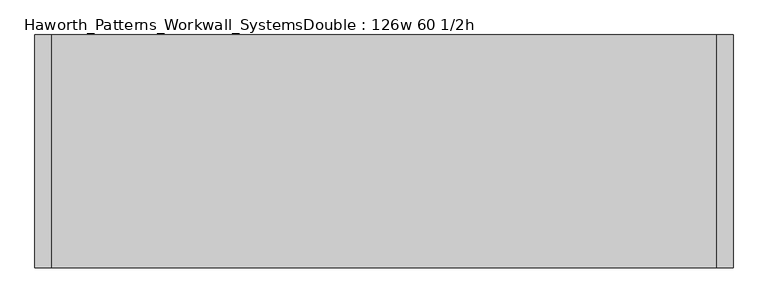
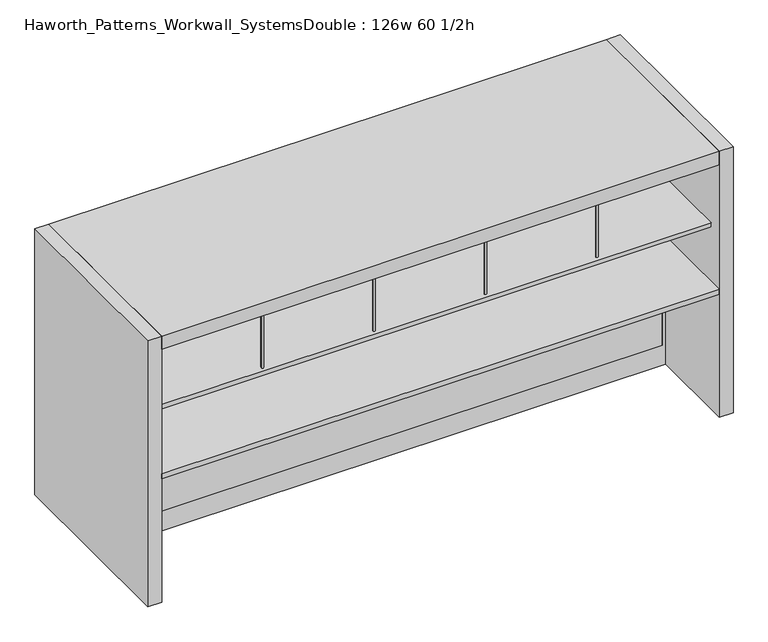
"""IFC4 building model written with IfcOpenShell, lengths in millimetres: furniture geometry, Haworth_Patterns_Workwall_SystemsDouble : 126w 60 1/2h."""

from ifc_helpers import new_model, si_unit, point, frame, frame_2d, origin, origin_with_axes, place, context, project, spatial, polyline, circle_curve, trimmed, segment, composite_curve, outline, extrude, source, transform, mapped, element, save


def haworth_patterns_workwall_systemsdouble_126w_60_1_2h_18ae9a9d(model_context):
    return source(origin(), model_context, "Body", "SweptSolid", [
        extrude(outline(composite_curve([segment(trimmed(circle_curve(frame_2d((-914.4, 787.4)), 6.35), [point((-908.05, 787.4))], [point((-920.75, 787.4))], False, "CARTESIAN"), True, "CONTINUOUS"), segment(trimmed(circle_curve(frame_2d((-914.4, 787.4)), 6.35), [point((-920.75, 787.4))], [point((-908.05, 787.4))], False, "CARTESIAN"), True, "CONTINUOUS")], self_intersect=False)), frame((0.0, 0.0, 1079.5), z_axis=(0.0, 0.0, 1.0), x_axis=(1.0, 0.0, 0.0)), (0.0, 0.0, 1.0), 381.0),
        extrude(outline(composite_curve([segment(trimmed(circle_curve(frame_2d((-914.4, 406.4)), 6.35), [point((-908.05, 406.4))], [point((-920.75, 406.4))], False, "CARTESIAN"), True, "CONTINUOUS"), segment(trimmed(circle_curve(frame_2d((-914.4, 406.4)), 6.35), [point((-920.75, 406.4))], [point((-908.05, 406.4))], False, "CARTESIAN"), True, "CONTINUOUS")], self_intersect=False)), frame((0.0, 0.0, 1079.5), z_axis=(0.0, 0.0, 1.0), x_axis=(1.0, 0.0, 0.0)), (0.0, 0.0, 1.0), 381.0),
        extrude(outline(composite_curve([segment(trimmed(circle_curve(frame_2d((-304.8, 787.4)), 6.35), [point((-298.45, 787.4))], [point((-311.15, 787.4))], False, "CARTESIAN"), True, "CONTINUOUS"), segment(trimmed(circle_curve(frame_2d((-304.8, 787.4)), 6.35), [point((-311.15, 787.4))], [point((-298.45, 787.4))], False, "CARTESIAN"), True, "CONTINUOUS")], self_intersect=False)), frame((0.0, 0.0, 1079.5), z_axis=(0.0, 0.0, 1.0), x_axis=(1.0, 0.0, 0.0)), (0.0, 0.0, 1.0), 381.0),
        extrude(outline(composite_curve([segment(trimmed(circle_curve(frame_2d((-304.8, 406.4)), 6.35), [point((-298.45, 406.4))], [point((-311.15, 406.4))], False, "CARTESIAN"), True, "CONTINUOUS"), segment(trimmed(circle_curve(frame_2d((-304.8, 406.4)), 6.35), [point((-311.15, 406.4))], [point((-298.45, 406.4))], False, "CARTESIAN"), True, "CONTINUOUS")], self_intersect=False)), frame((0.0, 0.0, 1079.5), z_axis=(0.0, 0.0, 1.0), x_axis=(1.0, 0.0, 0.0)), (0.0, 0.0, 1.0), 381.0),
        extrude(outline(composite_curve([segment(trimmed(circle_curve(frame_2d((-1524.0, 787.4)), 6.35), [point((-1517.65, 787.4))], [point((-1530.35, 787.4))], False, "CARTESIAN"), True, "CONTINUOUS"), segment(trimmed(circle_curve(frame_2d((-1524.0, 787.4)), 6.35), [point((-1530.35, 787.4))], [point((-1517.65, 787.4))], False, "CARTESIAN"), True, "CONTINUOUS")], self_intersect=False)), frame((0.0, 0.0, 1079.5), z_axis=(0.0, 0.0, 1.0), x_axis=(1.0, 0.0, 0.0)), (0.0, 0.0, 1.0), 381.0),
        extrude(outline(composite_curve([segment(trimmed(circle_curve(frame_2d((-1524.0, 406.4)), 6.35), [point((-1517.65, 406.4))], [point((-1530.35, 406.4))], False, "CARTESIAN"), True, "CONTINUOUS"), segment(trimmed(circle_curve(frame_2d((-1524.0, 406.4)), 6.35), [point((-1530.35, 406.4))], [point((-1517.65, 406.4))], False, "CARTESIAN"), True, "CONTINUOUS")], self_intersect=False)), frame((0.0, 0.0, 1079.5), z_axis=(0.0, 0.0, 1.0), x_axis=(1.0, 0.0, 0.0)), (0.0, 0.0, 1.0), 381.0),
        extrude(outline(composite_curve([segment(trimmed(circle_curve(frame_2d((304.8, 787.4)), 6.35), [point((311.15, 787.4))], [point((298.45, 787.4))], False, "CARTESIAN"), True, "CONTINUOUS"), segment(trimmed(circle_curve(frame_2d((304.8, 787.4)), 6.35), [point((298.45, 787.4))], [point((311.15, 787.4))], False, "CARTESIAN"), True, "CONTINUOUS")], self_intersect=False)), frame((0.0, 0.0, 1079.5), z_axis=(0.0, 0.0, 1.0), x_axis=(1.0, 0.0, 0.0)), (0.0, 0.0, 1.0), 381.0),
        extrude(outline(composite_curve([segment(trimmed(circle_curve(frame_2d((304.8, 406.4)), 6.35), [point((311.15, 406.4))], [point((298.45, 406.4))], False, "CARTESIAN"), True, "CONTINUOUS"), segment(trimmed(circle_curve(frame_2d((304.8, 406.4)), 6.35), [point((298.45, 406.4))], [point((311.15, 406.4))], False, "CARTESIAN"), True, "CONTINUOUS")], self_intersect=False)), frame((0.0, 0.0, 1079.5), z_axis=(0.0, 0.0, 1.0), x_axis=(1.0, 0.0, 0.0)), (0.0, 0.0, 1.0), 381.0),
        extrude(outline(polyline([(-2133.6, 381.0), (-2133.6, 812.8), (914.4, 812.8), (914.4, 381.0), (-2133.6, 381.0)])), frame((0.0, 0.0, 1054.1), z_axis=(0.0, 0.0, 1.0), x_axis=(1.0, 0.0, 0.0)), (0.0, 0.0, 1.0), 25.4),
        extrude(outline(polyline([(914.4, 415.925), (-2133.6, 415.925), (-2133.6, 889.0), (914.4, 889.0), (914.4, 415.925)])), frame((0.0, 0.0, 711.2), z_axis=(0.0, 0.0, 1.0), x_axis=(1.0, 0.0, 0.0)), (0.0, 0.0, 1.0), 30.1625),
        extrude(outline(polyline([(-609.6, 333.375), (-2133.6, 333.375), (-2133.6, 352.425), (-609.6, 352.425), (-609.6, 333.375)])), frame((0.0, 0.0, 635.0), z_axis=(0.0, 0.0, 1.0), x_axis=(1.0, 0.0, 0.0)), (0.0, 0.0, 1.0), 825.5),
        extrude(outline(polyline([(914.4, 333.375), (-609.6, 333.375), (-609.6, 352.425), (914.4, 352.425), (914.4, 333.375)])), frame((0.0, 0.0, 635.0), z_axis=(0.0, 0.0, 1.0), x_axis=(1.0, 0.0, 0.0)), (0.0, 0.0, 1.0), 825.5),
        extrude(outline(composite_curve([segment(trimmed(circle_curve(frame_2d((-304.8, -76.2)), 6.35), [point((-311.15, -76.2))], [point((-298.45, -76.2))], False, "CARTESIAN"), True, "CONTINUOUS"), segment(trimmed(circle_curve(frame_2d((-304.8, -76.2)), 6.35), [point((-298.45, -76.2))], [point((-311.15, -76.2))], False, "CARTESIAN"), True, "CONTINUOUS")], self_intersect=False)), frame((0.0, 0.0, 1079.5), z_axis=(0.0, 0.0, 1.0), x_axis=(1.0, 0.0, 0.0)), (0.0, 0.0, 1.0), 381.0),
        extrude(outline(composite_curve([segment(trimmed(circle_curve(frame_2d((-304.8, 304.8)), 6.35), [point((-311.15, 304.8))], [point((-298.45, 304.8))], False, "CARTESIAN"), True, "CONTINUOUS"), segment(trimmed(circle_curve(frame_2d((-304.8, 304.8)), 6.35), [point((-298.45, 304.8))], [point((-311.15, 304.8))], False, "CARTESIAN"), True, "CONTINUOUS")], self_intersect=False)), frame((0.0, 0.0, 1079.5), z_axis=(0.0, 0.0, 1.0), x_axis=(1.0, 0.0, 0.0)), (0.0, 0.0, 1.0), 381.0),
        extrude(outline(composite_curve([segment(trimmed(circle_curve(frame_2d((-914.4, -76.2)), 6.35), [point((-920.75, -76.2))], [point((-908.05, -76.2))], False, "CARTESIAN"), True, "CONTINUOUS"), segment(trimmed(circle_curve(frame_2d((-914.4, -76.2)), 6.35), [point((-908.05, -76.2))], [point((-920.75, -76.2))], False, "CARTESIAN"), True, "CONTINUOUS")], self_intersect=False)), frame((0.0, 0.0, 1079.5), z_axis=(0.0, 0.0, 1.0), x_axis=(1.0, 0.0, 0.0)), (0.0, 0.0, 1.0), 381.0),
        extrude(outline(composite_curve([segment(trimmed(circle_curve(frame_2d((-914.4, 304.8)), 6.35), [point((-920.75, 304.8))], [point((-908.05, 304.8))], False, "CARTESIAN"), True, "CONTINUOUS"), segment(trimmed(circle_curve(frame_2d((-914.4, 304.8)), 6.35), [point((-908.05, 304.8))], [point((-920.75, 304.8))], False, "CARTESIAN"), True, "CONTINUOUS")], self_intersect=False)), frame((0.0, 0.0, 1079.5), z_axis=(0.0, 0.0, 1.0), x_axis=(1.0, 0.0, 0.0)), (0.0, 0.0, 1.0), 381.0),
        extrude(outline(composite_curve([segment(trimmed(circle_curve(frame_2d((304.8, -76.2)), 6.35), [point((298.45, -76.2))], [point((311.15, -76.2))], False, "CARTESIAN"), True, "CONTINUOUS"), segment(trimmed(circle_curve(frame_2d((304.8, -76.2)), 6.35), [point((311.15, -76.2))], [point((298.45, -76.2))], False, "CARTESIAN"), True, "CONTINUOUS")], self_intersect=False)), frame((0.0, 0.0, 1079.5), z_axis=(0.0, 0.0, 1.0), x_axis=(1.0, 0.0, 0.0)), (0.0, 0.0, 1.0), 381.0),
        extrude(outline(composite_curve([segment(trimmed(circle_curve(frame_2d((304.8, 304.8)), 6.35), [point((298.45, 304.8))], [point((311.15, 304.8))], False, "CARTESIAN"), True, "CONTINUOUS"), segment(trimmed(circle_curve(frame_2d((304.8, 304.8)), 6.35), [point((311.15, 304.8))], [point((298.45, 304.8))], False, "CARTESIAN"), True, "CONTINUOUS")], self_intersect=False)), frame((0.0, 0.0, 1079.5), z_axis=(0.0, 0.0, 1.0), x_axis=(1.0, 0.0, 0.0)), (0.0, 0.0, 1.0), 381.0),
        extrude(outline(composite_curve([segment(trimmed(circle_curve(frame_2d((-1524.0, -76.2)), 6.35), [point((-1530.35, -76.2))], [point((-1517.65, -76.2))], False, "CARTESIAN"), True, "CONTINUOUS"), segment(trimmed(circle_curve(frame_2d((-1524.0, -76.2)), 6.35), [point((-1517.65, -76.2))], [point((-1530.35, -76.2))], False, "CARTESIAN"), True, "CONTINUOUS")], self_intersect=False)), frame((0.0, 0.0, 1079.5), z_axis=(0.0, 0.0, 1.0), x_axis=(1.0, 0.0, 0.0)), (0.0, 0.0, 1.0), 381.0),
        extrude(outline(composite_curve([segment(trimmed(circle_curve(frame_2d((-1524.0, 304.8)), 6.35), [point((-1530.35, 304.8))], [point((-1517.65, 304.8))], False, "CARTESIAN"), True, "CONTINUOUS"), segment(trimmed(circle_curve(frame_2d((-1524.0, 304.8)), 6.35), [point((-1517.65, 304.8))], [point((-1530.35, 304.8))], False, "CARTESIAN"), True, "CONTINUOUS")], self_intersect=False)), frame((0.0, 0.0, 1079.5), z_axis=(0.0, 0.0, 1.0), x_axis=(1.0, 0.0, 0.0)), (0.0, 0.0, 1.0), 381.0),
        extrude(outline(polyline([(914.4, 330.2), (914.4, -101.6), (-2133.6, -101.6), (-2133.6, 330.2), (914.4, 330.2)])), frame((0.0, 0.0, 1054.1), z_axis=(0.0, 0.0, 1.0), x_axis=(1.0, 0.0, 0.0)), (0.0, 0.0, 1.0), 25.4),
        extrude(outline(polyline([(1460.5, 914.4), (1460.5, -2133.6), (635.0, -2133.6), (635.0, 914.4), (1460.5, 914.4)]), holes=[polyline([(1441.45, 895.35), (654.05, 895.35), (654.05, -2114.55), (1441.45, -2114.55), (1441.45, 895.35)])]), frame((0.0, 330.2, 0.0), z_axis=(0.0, 1.0, 0.0), x_axis=(0.0, 0.0, 1.0)), (0.0, 0.0, 1.0), 25.4),
        extrude(outline(polyline([(895.35, 330.2), (-2114.55, 330.2), (-2114.55, 355.6), (895.35, 355.6), (895.35, 330.2)])), frame((0.0, 0.0, 114.3), z_axis=(0.0, 0.0, 1.0), x_axis=(1.0, 0.0, 0.0)), (0.0, 0.0, 1.0), 495.3),
        extrude(outline(polyline([(-2133.6, 295.275), (914.4, 295.275), (914.4, -177.8), (-2133.6, -177.8), (-2133.6, 295.275)])), frame((0.0, 0.0, 711.2), z_axis=(0.0, 0.0, 1.0), x_axis=(1.0, 0.0, 0.0)), (0.0, 0.0, 1.0), 30.1625),
        extrude(outline(polyline([(635.0, 914.4), (635.0, -2133.6), (0.0, -2133.6), (0.0, 914.4), (635.0, 914.4)]), holes=[polyline([(609.6, 895.35), (114.3, 895.35), (114.3, -2114.55), (609.6, -2114.55), (609.6, 895.35)])]), frame((0.0, 330.2, 0.0), z_axis=(0.0, 1.0, 0.0), x_axis=(0.0, 0.0, 1.0)), (0.0, 0.0, 1.0), 25.4),
        extrude(outline(polyline([(914.4, -177.8), (-2133.6, -177.8), (-2133.6, 889.0), (914.4, 889.0), (914.4, -177.8)])), frame((0.0, 0.0, 1460.5), z_axis=(0.0, 0.0, 1.0), x_axis=(1.0, 0.0, 0.0)), (0.0, 0.0, 1.0), 76.2),
        extrude(outline(polyline([(990.6, 889.0), (990.6, -177.8), (914.4, -177.8), (914.4, 889.0), (990.6, 889.0)])), origin_with_axes(), (0.0, 0.0, 1.0), 1536.7),
        extrude(outline(polyline([(-2133.6, 889.0), (-2133.6, -177.8), (-2209.8, -177.8), (-2209.8, 889.0), (-2133.6, 889.0)])), origin_with_axes(), (0.0, 0.0, 1.0), 1536.7),
    ])


if __name__ == "__main__":
    model = new_model("IFC4")
    model_context = context("Model", 3, world=origin())
    ifc_project = project(units=[si_unit("LENGTHUNIT", "METRE", prefix="MILLI")], contexts=[model_context])
    site = spatial("IfcSite", under=ifc_project)
    building = spatial("IfcBuilding", under=site)
    placement = place(None, origin())
    haworth_patterns_workwall_systemsdouble_126w_60_1_2h_shape = haworth_patterns_workwall_systemsdouble_126w_60_1_2h_18ae9a9d(model_context)
    element("IfcFurniture", 1, ObjectType="Haworth_Patterns_Workwall_SystemsDouble : 126w 60 1/2h", at=placement, inside=building, context=model_context, shape_type="MappedRepresentation", body=[
        mapped(haworth_patterns_workwall_systemsdouble_126w_60_1_2h_shape, transform((0.0, 0.0, 0.0), x_axis=(1.0, 0.0, 0.0), y_axis=(0.0, 1.0, 0.0), z_axis=(0.0, 0.0, 1.0))),
    ])
    save(model, "model.ifc")
